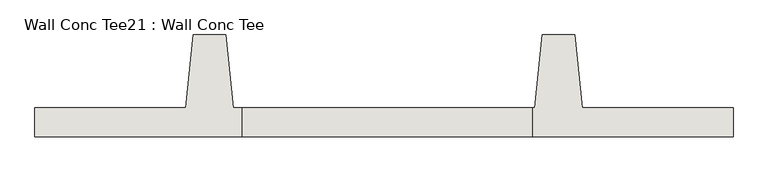
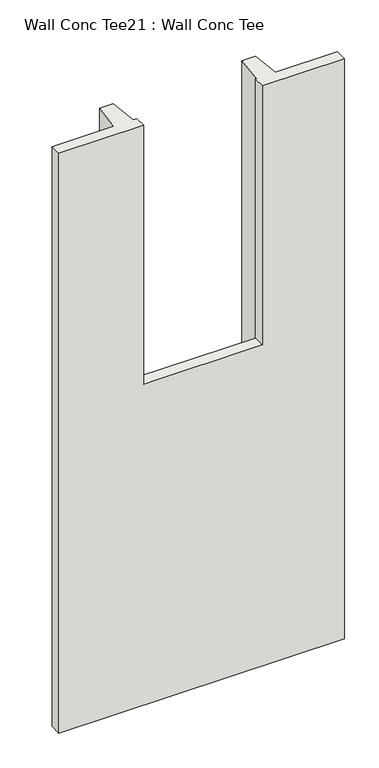
"""IFC4 building model written with IfcOpenShell, lengths in millimetres: wall geometry, Wall Conc Tee21 : Wall Conc Tee."""

import ifcopenshell
import ifcopenshell.guid

model = None  # the IFC model being written
_history = None  # IfcOwnerHistory: only IFC2X3 demands one
_inside = {}  # id of a spatial element -> (the spatial element, [elements in it])
_under = {}  # id of a project, library or spatial element -> (it, [spatial elements below it])
_declared = {}  # id of a project -> (the project, [libraries it declares])
_typed = {}  # id of a type object -> (the type object, [elements of that type])
_made_of = {}  # id of a material, layer set ... -> (it, [elements and type objects made of it])


def new_model(schema):
    """Start an empty IFC model of exactly this schema.

    Asked for "IFC4X3", IfcOpenShell would pick the latest addendum, in which some entities
    have other attributes; the version numbers below select the first issue.
    IFC2X3 requires an IfcOwnerHistory on every rooted entity: one is made here for all.
    """
    global model, _history
    if schema == "IFC4X3":
        model = ifcopenshell.file(schema_version=(4, 3, 0, 0))
    else:
        model = ifcopenshell.file(schema=schema)
    _inside.clear()
    _under.clear()
    _declared.clear()
    _typed.clear()
    _made_of.clear()
    _history = None
    if model.schema == "IFC2X3":
        org = make("IfcOrganization", Name="unknown")
        user = make(
            "IfcPersonAndOrganization",
            ThePerson=make("IfcPerson", FamilyName="unknown"),
            TheOrganization=org,
        )
        app = make(
            "IfcApplication",
            ApplicationDeveloper=org,
            Version="unknown",
            ApplicationFullName="unknown",
            ApplicationIdentifier="unknown",
        )
        _history = make(
            "IfcOwnerHistory",
            OwningUser=user,
            OwningApplication=app,
            ChangeAction="ADDED",
            CreationDate=0,
        )
    return model


def make(cls, **values):
    """One entity of the class cls with the attributes given. An attribute that is None is left unset."""
    return model.create_entity(
        cls, **{name: value for name, value in values.items() if value is not None}
    )


def rooted(cls, **values):
    """An entity with a GlobalId (a new one), such as an element, a storey or a relation."""
    return make(cls, GlobalId=ifcopenshell.guid.new(), OwnerHistory=_history, **values)


def si_unit(unit_type, name, prefix=None):
    """IfcSIUnit, for example si_unit("LENGTHUNIT", "METRE", prefix="MILLI")."""
    return make("IfcSIUnit", UnitType=unit_type, Prefix=prefix, Name=name)


def assignment(units):
    """IfcUnitAssignment: the units of a project."""
    return None if units is None else make("IfcUnitAssignment", Units=units)


def point(xyz):
    """IfcCartesianPoint."""
    return None if xyz is None else make("IfcCartesianPoint", Coordinates=xyz)


def direction(xyz):
    """IfcDirection."""
    return None if xyz is None else make("IfcDirection", DirectionRatios=xyz)


def frame(location, z_axis=None, x_axis=None):
    """IfcAxis2Placement3D, a coordinate frame: its origin and axes. An axis left out is left unset."""
    return make(
        "IfcAxis2Placement3D",
        Location=point(location),
        Axis=direction(z_axis),
        RefDirection=direction(x_axis),
    )


def origin():
    """The frame at (0, 0, 0) with its axes left unset."""
    return frame((0.0, 0.0, 0.0))


def place(relative_to, where):
    """IfcLocalPlacement: puts the frame where relative to a parent placement (None: the world)."""
    return make(
        "IfcLocalPlacement", PlacementRelTo=relative_to, RelativePlacement=where
    )


def context(
    kind, dimensions, precision=None, world=None, true_north=None, identifier=None
):
    """IfcGeometricRepresentationContext, for example the 3D "Model" context."""
    return make(
        "IfcGeometricRepresentationContext",
        ContextIdentifier=identifier,
        ContextType=kind,
        CoordinateSpaceDimension=dimensions,
        Precision=precision,
        WorldCoordinateSystem=world,
        TrueNorth=true_north,
    )


def project(units=None, contexts=None):
    """IfcProject with its units and contexts."""
    return rooted(
        "IfcProject",
        Name="project",
        RepresentationContexts=contexts,
        UnitsInContext=assignment(units),
    )


def spatial(cls, under=None, at=None, **own):
    """A site, building, storey or space (cls), placed at a placement, below another one or the project."""
    s = rooted(cls, ObjectPlacement=at, **own)
    if under is not None:
        _under.setdefault(under.id(), (under, []))[1].append(s)
    return s


def faces_of(points, faces, orient=None, outer=None):
    """IfcFace entities. A face is a list of loops; a loop is a list of indices into points, from 0.

    orient and outer hold one flag for each loop. By default every Orientation is true, the
    first loop of a face is its IfcFaceOuterBound and the others are IfcFaceBound.
    """
    made = []
    for i, loops in enumerate(faces):
        bounds = []
        for j, loop in enumerate(loops):
            is_outer = j == 0 if outer is None else outer[i][j]
            bounds.append(
                make(
                    "IfcFaceOuterBound" if is_outer else "IfcFaceBound",
                    Bound=make("IfcPolyLoop", Polygon=[points[k] for k in loop]),
                    Orientation=True if orient is None else orient[i][j],
                )
            )
        made.append(make("IfcFace", Bounds=bounds))
    return made


def faceted_brep(points, faces, orient=None, outer=None, voids=None):
    """IfcFacetedBrep: a solid bounded by flat faces; with voids (closed shells), ...WithVoids."""
    shared = [point(p) for p in points]
    hull = make("IfcClosedShell", CfsFaces=faces_of(shared, faces, orient, outer))
    if voids is None:
        return make("IfcFacetedBrep", Outer=hull)
    return make(
        "IfcFacetedBrepWithVoids",
        Outer=hull,
        Voids=[
            make(cls, CfsFaces=faces_of(shared, fs, o, b)) for cls, fs, o, b in voids
        ],
    )


def shape(context_of_items, identifier, shape_type, items):
    """IfcShapeRepresentation: the items that make up one representation, for example the "Body"."""
    return make(
        "IfcShapeRepresentation",
        ContextOfItems=context_of_items,
        RepresentationIdentifier=identifier,
        RepresentationType=shape_type,
        Items=items,
    )


def source(mapping_origin, context_of_items, identifier, shape_type, items):
    """IfcRepresentationMap: a shape defined once, which mapped items show again and again."""
    return make(
        "IfcRepresentationMap",
        MappingOrigin=mapping_origin,
        MappedRepresentation=shape(context_of_items, identifier, shape_type, items),
    )


def transform(
    local_origin,
    x_axis=None,
    y_axis=None,
    z_axis=None,
    scale=None,
    scale2=None,
    scale3=None,
    uniform=True,
):
    """IfcCartesianTransformationOperator3D, or its non-uniform kind. x_axis, y_axis, z_axis: its Axis1, 2, 3."""
    if uniform:
        return make(
            "IfcCartesianTransformationOperator3D",
            Axis1=direction(x_axis),
            Axis2=direction(y_axis),
            LocalOrigin=point(local_origin),
            Scale=scale,
            Axis3=direction(z_axis),
        )
    return make(
        "IfcCartesianTransformationOperator3DnonUniform",
        Axis1=direction(x_axis),
        Axis2=direction(y_axis),
        LocalOrigin=point(local_origin),
        Scale=scale,
        Axis3=direction(z_axis),
        Scale2=scale2,
        Scale3=scale3,
    )


def mapped(mapping_source, mapping_target):
    """IfcMappedItem: shows the shape of a source again, moved by a transform."""
    return make(
        "IfcMappedItem", MappingSource=mapping_source, MappingTarget=mapping_target
    )


def made_of(thing, what):
    """Note that an element or type object is made of a material, layer set ...; save() writes the relation."""
    if what is not None:
        _made_of.setdefault(what.id(), (what, []))[1].append(thing)
    return thing


def element(
    cls,
    number,
    at=None,
    inside=None,
    cuts=None,
    type_object=None,
    material=None,
    context=None,
    identifier="Body",
    shape_type=None,
    held_by="IfcProductDefinitionShape",
    body=None,
    shapes=None,
    **own,
):
    """One element of the class cls, such as IfcWall. Its Tag is "e" and its number.

    at: its placement. inside: the storey or other place that contains it. cuts: it is an
    opening in that element (IfcRelVoidsElement). A single representation is given by context,
    identifier, shape_type and body (its items); several are given by shapes. held_by: the class
    of the entity that holds the representations. save() writes the other relations.
    """
    e = rooted(cls, Tag="e%d" % number, ObjectPlacement=at, **own)
    if body is not None:
        shapes = [shape(context, identifier, shape_type, body)]
    if shapes is not None:
        e.Representation = make(held_by, Representations=shapes)
    if inside is not None:
        _inside.setdefault(inside.id(), (inside, []))[1].append(e)
    if cuts is not None:
        rooted(
            "IfcRelVoidsElement", RelatingBuildingElement=cuts, RelatedOpeningElement=e
        )
    if type_object is not None:
        _typed.setdefault(type_object.id(), (type_object, []))[1].append(e)
    return made_of(e, material)


def aggregate(whole, parts):
    """IfcRelAggregates: a whole, such as a stair, and the parts it consists of."""
    return rooted("IfcRelAggregates", RelatingObject=whole, RelatedObjects=parts)


def save(model, path):
    """Write the relations noted so far, then the file.

    IfcRelAggregates (storeys below a building ...), IfcRelContainedInSpatialStructure (elements
    in a storey), IfcRelDefinesByType, IfcRelAssociatesMaterial and IfcRelDeclares: one each for
    every whole, place, type object, material and project.
    """
    for whole, parts in _under.values():
        aggregate(whole, parts)
    for where, things in _inside.values():
        rooted(
            "IfcRelContainedInSpatialStructure",
            RelatedElements=things,
            RelatingStructure=where,
        )
    for kind, things in _typed.values():
        rooted("IfcRelDefinesByType", RelatedObjects=things, RelatingType=kind)
    for what, things in _made_of.values():
        rooted("IfcRelAssociatesMaterial", RelatedObjects=things, RelatingMaterial=what)
    for by, libraries in _declared.values():
        rooted("IfcRelDeclares", RelatingContext=by, RelatedDefinitions=libraries)
    model.write(path)


def wall_conc_tee21_wall_conc_tee_3597e7a9(model_context):
    return source(origin(), model_context, "Body", "Brep", [
        faceted_brep([(220618.8228488, 180988.4596581, 5376.1679688), (220593.4228488, 181242.4596581, 5376.1679688), (220479.1228488, 181242.4596581, 5376.1679688), (220453.7228488, 180988.4596581, 5376.1679688), (219926.6728488, 180988.4596581, 5376.1679688), (219926.6728488, 180886.8596581, 5376.1679688), (220648.6833906, 180886.8596581, 5376.1679688), (220648.6833906, 180988.4596581, 5376.1679688), (222365.0728488, 180886.8596581, 5376.1679688), (222365.0728488, 180988.4596581, 5376.1679688), (221838.0228488, 180988.4596581, 5376.1679688), (221812.6228488, 181242.4596581, 5376.1679688), (221698.3228488, 181242.4596581, 5376.1679688), (221672.9228488, 180988.4596581, 5376.1679688), (221664.6833906, 180988.4596581, 5376.1679688), (221664.6833906, 180886.8596581, 5376.1679688), (222365.0728488, 180886.8596581, 143.7592564), (219926.6728488, 180886.8596581, 143.7592564), (219926.6728488, 180988.4596581, 143.7592564), (220453.7228488, 180988.4596581, 143.7592564), (220479.1228488, 181242.4596581, 143.7592564), (220593.4228488, 181242.4596581, 143.7592564), (220618.8228488, 180988.4596581, 143.7592564), (221672.9228488, 180988.4596581, 143.7592564), (221698.3228488, 181242.4596581, 143.7592564), (221812.6228488, 181242.4596581, 143.7592564), (221838.0228488, 180988.4596581, 143.7592564), (222365.0728488, 180988.4596581, 143.7592564), (221664.6833906, 180886.8596581, 3039.3679688), (220648.6833906, 180886.8596581, 3039.3679688), (220648.6833906, 180988.4596581, 3039.3679688), (221664.6833906, 180988.4596581, 3039.3679688)], [[[0, 1, 2, 3, 4, 5, 6, 7]], [[8, 9, 10, 11, 12, 13, 14, 15]], [[16, 17, 18, 19, 20, 21, 22, 23, 24, 25, 26, 27]], [[17, 16, 8, 15, 28, 29, 6, 5]], [[5, 4, 18, 17]], [[4, 3, 19, 18]], [[3, 2, 20, 19]], [[2, 1, 21, 20]], [[1, 0, 22, 21]], [[23, 22, 0, 7, 30, 31, 14, 13]], [[13, 12, 24, 23]], [[12, 11, 25, 24]], [[11, 10, 26, 25]], [[10, 9, 27, 26]], [[9, 8, 16, 27]], [[29, 30, 7, 6]], [[30, 29, 28, 31]], [[31, 28, 15, 14]]]),
    ])


if __name__ == "__main__":
    model = new_model("IFC4")
    model_context = context("Model", 3, world=origin())
    ifc_project = project(units=[si_unit("LENGTHUNIT", "METRE", prefix="MILLI")], contexts=[model_context])
    site = spatial("IfcSite", under=ifc_project)
    building = spatial("IfcBuilding", under=site)
    placement = place(None, origin())
    wall_conc_tee21_wall_conc_tee_shape = wall_conc_tee21_wall_conc_tee_3597e7a9(model_context)
    element("IfcWall", 1, ObjectType="Wall Conc Tee21 : Wall Conc Tee", at=placement, inside=building, context=model_context, shape_type="MappedRepresentation", body=[
        mapped(wall_conc_tee21_wall_conc_tee_shape, transform((0.0, 0.0, 0.0), x_axis=(1.0, 0.0, 0.0), y_axis=(0.0, 1.0, 0.0), z_axis=(0.0, 0.0, 1.0))),
    ])
    save(model, "model.ifc")
